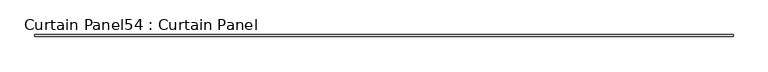
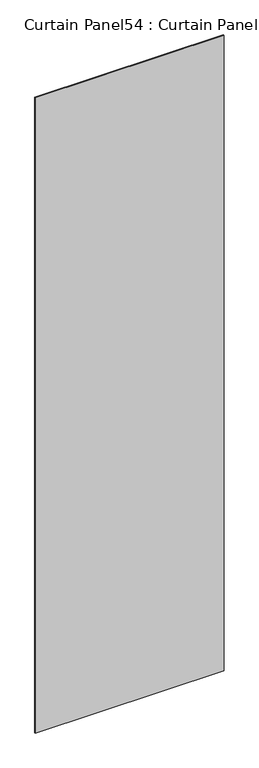
"""IFC4 building model written with IfcOpenShell, lengths in millimetres: plate geometry, Curtain Panel54 : Curtain Panel."""

import ifcopenshell
import ifcopenshell.guid

model = None  # the IFC model being written
_history = None  # IfcOwnerHistory: only IFC2X3 demands one
_inside = {}  # id of a spatial element -> (the spatial element, [elements in it])
_under = {}  # id of a project, library or spatial element -> (it, [spatial elements below it])
_declared = {}  # id of a project -> (the project, [libraries it declares])
_typed = {}  # id of a type object -> (the type object, [elements of that type])
_made_of = {}  # id of a material, layer set ... -> (it, [elements and type objects made of it])


def new_model(schema):
    """Start an empty IFC model of exactly this schema.

    Asked for "IFC4X3", IfcOpenShell would pick the latest addendum, in which some entities
    have other attributes; the version numbers below select the first issue.
    IFC2X3 requires an IfcOwnerHistory on every rooted entity: one is made here for all.
    """
    global model, _history
    if schema == "IFC4X3":
        model = ifcopenshell.file(schema_version=(4, 3, 0, 0))
    else:
        model = ifcopenshell.file(schema=schema)
    _inside.clear()
    _under.clear()
    _declared.clear()
    _typed.clear()
    _made_of.clear()
    _history = None
    if model.schema == "IFC2X3":
        org = make("IfcOrganization", Name="unknown")
        user = make(
            "IfcPersonAndOrganization",
            ThePerson=make("IfcPerson", FamilyName="unknown"),
            TheOrganization=org,
        )
        app = make(
            "IfcApplication",
            ApplicationDeveloper=org,
            Version="unknown",
            ApplicationFullName="unknown",
            ApplicationIdentifier="unknown",
        )
        _history = make(
            "IfcOwnerHistory",
            OwningUser=user,
            OwningApplication=app,
            ChangeAction="ADDED",
            CreationDate=0,
        )
    return model


def make(cls, **values):
    """One entity of the class cls with the attributes given. An attribute that is None is left unset."""
    return model.create_entity(
        cls, **{name: value for name, value in values.items() if value is not None}
    )


def rooted(cls, **values):
    """An entity with a GlobalId (a new one), such as an element, a storey or a relation."""
    return make(cls, GlobalId=ifcopenshell.guid.new(), OwnerHistory=_history, **values)


def si_unit(unit_type, name, prefix=None):
    """IfcSIUnit, for example si_unit("LENGTHUNIT", "METRE", prefix="MILLI")."""
    return make("IfcSIUnit", UnitType=unit_type, Prefix=prefix, Name=name)


def assignment(units):
    """IfcUnitAssignment: the units of a project."""
    return None if units is None else make("IfcUnitAssignment", Units=units)


def point(xyz):
    """IfcCartesianPoint."""
    return None if xyz is None else make("IfcCartesianPoint", Coordinates=xyz)


def direction(xyz):
    """IfcDirection."""
    return None if xyz is None else make("IfcDirection", DirectionRatios=xyz)


def frame(location, z_axis=None, x_axis=None):
    """IfcAxis2Placement3D, a coordinate frame: its origin and axes. An axis left out is left unset."""
    return make(
        "IfcAxis2Placement3D",
        Location=point(location),
        Axis=direction(z_axis),
        RefDirection=direction(x_axis),
    )


def origin():
    """The frame at (0, 0, 0) with its axes left unset."""
    return frame((0.0, 0.0, 0.0))


def place(relative_to, where):
    """IfcLocalPlacement: puts the frame where relative to a parent placement (None: the world)."""
    return make(
        "IfcLocalPlacement", PlacementRelTo=relative_to, RelativePlacement=where
    )


def context(
    kind, dimensions, precision=None, world=None, true_north=None, identifier=None
):
    """IfcGeometricRepresentationContext, for example the 3D "Model" context."""
    return make(
        "IfcGeometricRepresentationContext",
        ContextIdentifier=identifier,
        ContextType=kind,
        CoordinateSpaceDimension=dimensions,
        Precision=precision,
        WorldCoordinateSystem=world,
        TrueNorth=true_north,
    )


def project(units=None, contexts=None):
    """IfcProject with its units and contexts."""
    return rooted(
        "IfcProject",
        Name="project",
        RepresentationContexts=contexts,
        UnitsInContext=assignment(units),
    )


def spatial(cls, under=None, at=None, **own):
    """A site, building, storey or space (cls), placed at a placement, below another one or the project."""
    s = rooted(cls, ObjectPlacement=at, **own)
    if under is not None:
        _under.setdefault(under.id(), (under, []))[1].append(s)
    return s


def polyline(points):
    """IfcPolyline through the points."""
    return make("IfcPolyline", Points=[point(p) for p in points])


def outline(outer, holes=None, kind="AREA"):
    """IfcArbitraryClosedProfileDef: a profile drawn as a closed curve; with holes, ...WithVoids."""
    if holes is None:
        return make("IfcArbitraryClosedProfileDef", ProfileType=kind, OuterCurve=outer)
    return make(
        "IfcArbitraryProfileDefWithVoids",
        ProfileType=kind,
        OuterCurve=outer,
        InnerCurves=holes,
    )


def extrude(swept, where, along, depth):
    """IfcExtrudedAreaSolid: the profile swept, set in the frame where, extruded along a direction by depth."""
    return make(
        "IfcExtrudedAreaSolid",
        SweptArea=swept,
        Position=where,
        ExtrudedDirection=direction(along),
        Depth=depth,
    )


def shape(context_of_items, identifier, shape_type, items):
    """IfcShapeRepresentation: the items that make up one representation, for example the "Body"."""
    return make(
        "IfcShapeRepresentation",
        ContextOfItems=context_of_items,
        RepresentationIdentifier=identifier,
        RepresentationType=shape_type,
        Items=items,
    )


def source(mapping_origin, context_of_items, identifier, shape_type, items):
    """IfcRepresentationMap: a shape defined once, which mapped items show again and again."""
    return make(
        "IfcRepresentationMap",
        MappingOrigin=mapping_origin,
        MappedRepresentation=shape(context_of_items, identifier, shape_type, items),
    )


def transform(
    local_origin,
    x_axis=None,
    y_axis=None,
    z_axis=None,
    scale=None,
    scale2=None,
    scale3=None,
    uniform=True,
):
    """IfcCartesianTransformationOperator3D, or its non-uniform kind. x_axis, y_axis, z_axis: its Axis1, 2, 3."""
    if uniform:
        return make(
            "IfcCartesianTransformationOperator3D",
            Axis1=direction(x_axis),
            Axis2=direction(y_axis),
            LocalOrigin=point(local_origin),
            Scale=scale,
            Axis3=direction(z_axis),
        )
    return make(
        "IfcCartesianTransformationOperator3DnonUniform",
        Axis1=direction(x_axis),
        Axis2=direction(y_axis),
        LocalOrigin=point(local_origin),
        Scale=scale,
        Axis3=direction(z_axis),
        Scale2=scale2,
        Scale3=scale3,
    )


def mapped(mapping_source, mapping_target):
    """IfcMappedItem: shows the shape of a source again, moved by a transform."""
    return make(
        "IfcMappedItem", MappingSource=mapping_source, MappingTarget=mapping_target
    )


def made_of(thing, what):
    """Note that an element or type object is made of a material, layer set ...; save() writes the relation."""
    if what is not None:
        _made_of.setdefault(what.id(), (what, []))[1].append(thing)
    return thing


def element(
    cls,
    number,
    at=None,
    inside=None,
    cuts=None,
    type_object=None,
    material=None,
    context=None,
    identifier="Body",
    shape_type=None,
    held_by="IfcProductDefinitionShape",
    body=None,
    shapes=None,
    **own,
):
    """One element of the class cls, such as IfcWall. Its Tag is "e" and its number.

    at: its placement. inside: the storey or other place that contains it. cuts: it is an
    opening in that element (IfcRelVoidsElement). A single representation is given by context,
    identifier, shape_type and body (its items); several are given by shapes. held_by: the class
    of the entity that holds the representations. save() writes the other relations.
    """
    e = rooted(cls, Tag="e%d" % number, ObjectPlacement=at, **own)
    if body is not None:
        shapes = [shape(context, identifier, shape_type, body)]
    if shapes is not None:
        e.Representation = make(held_by, Representations=shapes)
    if inside is not None:
        _inside.setdefault(inside.id(), (inside, []))[1].append(e)
    if cuts is not None:
        rooted(
            "IfcRelVoidsElement", RelatingBuildingElement=cuts, RelatedOpeningElement=e
        )
    if type_object is not None:
        _typed.setdefault(type_object.id(), (type_object, []))[1].append(e)
    return made_of(e, material)


def aggregate(whole, parts):
    """IfcRelAggregates: a whole, such as a stair, and the parts it consists of."""
    return rooted("IfcRelAggregates", RelatingObject=whole, RelatedObjects=parts)


def save(model, path):
    """Write the relations noted so far, then the file.

    IfcRelAggregates (storeys below a building ...), IfcRelContainedInSpatialStructure (elements
    in a storey), IfcRelDefinesByType, IfcRelAssociatesMaterial and IfcRelDeclares: one each for
    every whole, place, type object, material and project.
    """
    for whole, parts in _under.values():
        aggregate(whole, parts)
    for where, things in _inside.values():
        rooted(
            "IfcRelContainedInSpatialStructure",
            RelatedElements=things,
            RelatingStructure=where,
        )
    for kind, things in _typed.values():
        rooted("IfcRelDefinesByType", RelatedObjects=things, RelatingType=kind)
    for what, things in _made_of.values():
        rooted("IfcRelAssociatesMaterial", RelatedObjects=things, RelatingMaterial=what)
    for by, libraries in _declared.values():
        rooted("IfcRelDeclares", RelatingContext=by, RelatedDefinitions=libraries)
    model.write(path)


def curtain_panel54_curtain_panel_79d5dcc8(model_context):
    return source(origin(), model_context, "Body", "SweptSolid", [
        extrude(outline(polyline([(49332.9696389, 1695.7260947), (46904.1304088, 1695.7260947), (46904.1304088, 1702.0760947), (49332.9696389, 1702.0760947), (49332.9696389, 1695.7260947)])), frame((0.0, 0.0, 28084.9602018), z_axis=(0.0, 0.0, 1.0), x_axis=(1.0, 0.0, 0.0)), (0.0, 0.0, 1.0), 8635.0685723),
    ])


if __name__ == "__main__":
    model = new_model("IFC4")
    model_context = context("Model", 3, world=origin())
    ifc_project = project(units=[si_unit("LENGTHUNIT", "METRE", prefix="MILLI")], contexts=[model_context])
    site = spatial("IfcSite", under=ifc_project)
    building = spatial("IfcBuilding", under=site)
    placement = place(None, origin())
    curtain_panel54_curtain_panel_shape = curtain_panel54_curtain_panel_79d5dcc8(model_context)
    element("IfcPlate", 1, ObjectType="Curtain Panel54 : Curtain Panel", at=placement, inside=building, context=model_context, shape_type="MappedRepresentation", body=[
        mapped(curtain_panel54_curtain_panel_shape, transform((0.0, 0.0, 0.0), x_axis=(1.0, 0.0, 0.0), y_axis=(0.0, 1.0, 0.0), z_axis=(0.0, 0.0, 1.0))),
    ])
    save(model, "model.ifc")
